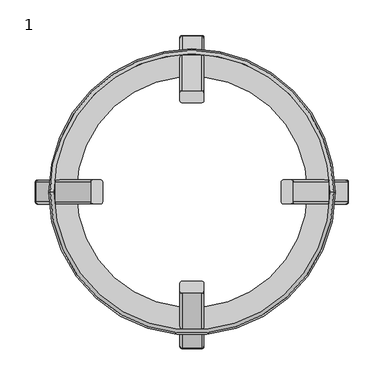
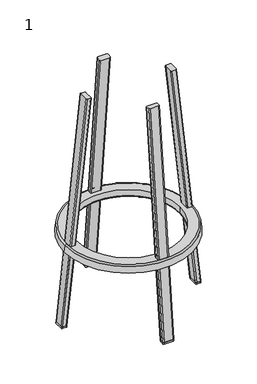
"""IFC4 building model written with IfcOpenShell, lengths in millimetres: furniture geometry, 1."""

from ifc_helpers import new_model, si_unit, point, frame, origin, place, context, project, spatial, polyline, circle_curve, ellipse_curve, trimmed, source, transform, mapped, element, save
from ifc_brep_helpers import plane_surface, cylinder_surface, revolved_surface, advanced_brep


def furniture_1_73dcc5fb(model_context):
    return source(origin(), model_context, "Body", "AdvancedBrep", [
        advanced_brep(
        [(17.0, -206.3178808, 5.0), (14.0, -203.301356, 5.0), (-14.0, -203.301356, 5.0), (-17.0, -206.3178808, 5.0), (-17.0, -217.3784719, 5.0), (-14.0, -220.3949967, 5.0), (14.0, -220.3949967, 5.0), (17.0, -217.3784719, 5.0), (-17.0, -217.9039931, 0.0), (-14.0, -220.9205179, 0.0), (-17.0, -206.843402, 0.0), (-14.0, -203.8268771, 0.0), (14.0, -203.8268771, 0.0), (17.0, -206.843402, 0.0), (17.0, -217.9039931, 0.0), (14.0, -220.9205179, 0.0)],
        [
            (0, 1, ellipse_curve(frame((14.0, -206.3178808, 5.0), z_axis=(0.0, 0.0, 1.0), x_axis=(0.0, -1.0, 0.0)), 3.0165248, 3.0)),
            (1, 2),
            (2, 3, ellipse_curve(frame((-14.1882885, -206.1285552, 5.0), z_axis=(0.0, 0.0, 1.0), x_axis=(0.0, -1.0, 0.0)), 2.8335313, 2.8180089)),
            (3, 4),
            (4, 5, ellipse_curve(frame((-14.0, -217.3784719, 5.0), z_axis=(0.0, 0.0, 1.0), x_axis=(0.0, -1.0, 0.0)), 3.0165248, 3.0)),
            (5, 6),
            (6, 7, ellipse_curve(frame((14.0, -217.3784719, 5.0), z_axis=(0.0, 0.0, 1.0), x_axis=(0.0, -1.0, 0.0)), 3.0165248, 3.0)),
            (7, 0),
            (4, 8),
            (8, 9, ellipse_curve(frame((-14.0, -217.9039931, 0.0), z_axis=(0.0, 0.0, 1.0), x_axis=(0.0, -1.0, 0.0)), 3.0165248, 3.0)),
            (9, 5),
            (3, 10),
            (10, 8),
            (2, 11),
            (11, 10, ellipse_curve(frame((-14.1882885, -206.6540763, 0.0), z_axis=(0.0, 0.0, 1.0), x_axis=(0.0, -1.0, 0.0)), 2.8335313, 2.8180089)),
            (1, 12),
            (12, 11),
            (12, 13, ellipse_curve(frame((14.0, -206.843402, 0.0), z_axis=(0.0, 0.0, -1.0), x_axis=(0.0, -1.0, 0.0)), 3.0165248, 3.0)),
            (13, 14),
            (14, 15, ellipse_curve(frame((14.0, -217.9039931, 0.0), z_axis=(0.0, 0.0, -1.0), x_axis=(0.0, -1.0, 0.0)), 3.0165248, 3.0)),
            (15, 9),
            (0, 13),
            (7, 14),
            (6, 15),
        ],
        [
            plane_surface(frame((-237.3802631, -240.5411086, 5.0), z_axis=(0.0, 0.0, 1.0), x_axis=(0.0, 1.0, 0.0))),
            cylinder_surface(frame((-14.0, -217.9369522, -0.3135854), z_axis=(0.0, -0.10452846326766246, -0.9945218953682724), x_axis=(0.0, -0.9945218953682725, 0.10452846326766249)), 3.0),
            plane_surface(frame((-17.0, -217.9369522, -0.3135854), z_axis=(-1.0, 0.0, 0.0), x_axis=(0.0, 0.9945218953682724, -0.10452846326766255))),
            cylinder_surface(frame((-14.1882885, -206.8099543, -1.48308), z_axis=(0.0, -0.10452846326766246, -0.9945218953682724), x_axis=(-0.9977653042872745, -0.06645012160662113, 0.006984189214775724)), 2.8180089),
            plane_surface(frame((-14.0, -204.0136457, -1.7769839), z_axis=(0.0, 0.9945218953682724, -0.10452846326766246), x_axis=(1.0, 0.0, 0.0))),
            plane_surface(frame((18.6818902, -196.7185949, 0.0), z_axis=(0.0, 0.0, -1.0), x_axis=(0.0, -1.0, 0.0))),
            cylinder_surface(frame((14.0, -206.9972114, -1.4633985), z_axis=(0.0, -0.10452846326766246, -0.9945218953682724), x_axis=(0.0, 0.9945218953682724, -0.10452846326766246)), 3.0),
            plane_surface(frame((17.0, -206.9972114, -1.4633985), z_axis=(1.0, 0.0, 0.0), x_axis=(0.0, -0.9945218953682724, 0.10452846326766246))),
            cylinder_surface(frame((14.0, -217.9369522, -0.3135854), z_axis=(0.0, -0.10452846326766246, -0.9945218953682724), x_axis=(1.0, 0.0, 0.0)), 3.0),
            plane_surface(frame((14.0, -220.9205179, 0.0), z_axis=(0.0, -0.9945218953682724, 0.10452846326766246), x_axis=(-1.0, 0.0, 0.0))),
        ],
        [
            (0, [[1, 2, 3, 4, 5, 6, 7, 8]]),
            (1, [[-5, 9, 10, 11]]),
            (2, [[-4, 12, 13, -9]]),
            (3, [[-3, 14, 15, -12]]),
            (4, [[-2, 16, 17, -14]]),
            (5, [[-10, -13, -15, -17, 18, 19, 20, 21]]),
            (6, [[-1, 22, -18, -16]]),
            (7, [[-8, 23, -19, -22]]),
            (8, [[-7, 24, -20, -23]]),
            (9, [[-6, -11, -21, -24]]),
        ],
    ),
        advanced_brep(
        [(-17.0, 217.9039931, 0.0), (-14.0, 220.9205179, 0.0), (14.0, 220.9205179, 0.0), (17.0, 217.9039931, 0.0), (17.0, 206.843402, 0.0), (14.0, 203.8268771, 0.0), (-14.0, 203.8268771, 0.0), (-17.0, 206.843402, 0.0), (-14.0, 203.301356, 5.0), (-17.0, 206.3178808, 5.0), (14.0, 203.301356, 5.0), (17.0, 206.3178808, 5.0), (17.0, 217.3784719, 5.0), (14.0, 220.3949967, 5.0), (-14.0, 220.3949967, 5.0), (-17.0, 217.3784719, 5.0)],
        [
            (0, 1, ellipse_curve(frame((-14.0, 217.9039931, 0.0), z_axis=(0.0, 0.0, -1.0), x_axis=(0.0, -1.0, 0.0)), 3.0165248, 3.0)),
            (1, 2),
            (2, 3, ellipse_curve(frame((14.0, 217.9039931, 0.0), z_axis=(0.0, 0.0, -1.0), x_axis=(0.0, -1.0, 0.0)), 3.0165248, 3.0)),
            (3, 4),
            (4, 5, ellipse_curve(frame((14.0, 206.843402, 0.0), z_axis=(0.0, 0.0, -1.0), x_axis=(0.0, -1.0, 0.0)), 3.0165248, 3.0)),
            (5, 6),
            (6, 7, ellipse_curve(frame((-14.1882885, 206.6540763, 0.0), z_axis=(0.0, 0.0, -1.0), x_axis=(0.0, -1.0, 0.0)), 2.8335313, 2.8180089)),
            (7, 0),
            (8, 9, ellipse_curve(frame((-14.1882885, 206.1285552, 5.0), z_axis=(0.0, 0.0, -1.0), x_axis=(0.0, -1.0, 0.0)), 2.8335313, 2.8180089)),
            (9, 7),
            (6, 8),
            (10, 8),
            (5, 10),
            (11, 10, ellipse_curve(frame((14.0, 206.3178808, 5.0), z_axis=(0.0, 0.0, -1.0), x_axis=(0.0, -1.0, 0.0)), 3.0165248, 3.0)),
            (4, 11),
            (12, 11),
            (3, 12),
            (13, 12, ellipse_curve(frame((14.0, 217.3784719, 5.0), z_axis=(0.0, 0.0, -1.0), x_axis=(0.0, -1.0, 0.0)), 3.0165248, 3.0)),
            (2, 13),
            (14, 13),
            (1, 14),
            (15, 14, ellipse_curve(frame((-14.0, 217.3784719, 5.0), z_axis=(0.0, 0.0, -1.0), x_axis=(0.0, -1.0, 0.0)), 3.0165248, 3.0)),
            (0, 15),
            (9, 15),
        ],
        [
            plane_surface(frame((18.6818902, 196.7185949, 0.0), z_axis=(0.0, 0.0, -1.0), x_axis=(0.0, 1.0, 0.0))),
            cylinder_surface(frame((-14.1882885, 206.8099543, -1.48308), z_axis=(0.0, -0.10452846326766246, 0.9945218953682724), x_axis=(-0.9977653042872745, 0.06645012160662113, 0.006984189214775724)), 2.8180089),
            plane_surface(frame((-14.0, 204.0136457, -1.7769839), z_axis=(0.0, -0.9945218953682724, -0.10452846326766246), x_axis=(1.0, 0.0, 0.0))),
            cylinder_surface(frame((14.0, 206.9972114, -1.4633985), z_axis=(0.0, -0.10452846326766246, 0.9945218953682724), x_axis=(0.0, -0.9945218953682724, -0.10452846326766246)), 3.0),
            plane_surface(frame((17.0, 206.9972114, -1.4633985), z_axis=(1.0, 0.0, 0.0), x_axis=(0.0, 0.9945218953682724, 0.10452846326766246))),
            cylinder_surface(frame((14.0, 217.9369522, -0.3135854), z_axis=(0.0, -0.10452846326766246, 0.9945218953682724), x_axis=(1.0, 0.0, 0.0)), 3.0),
            plane_surface(frame((14.0, 220.9205179, 0.0), z_axis=(0.0, 0.9945218953682724, 0.10452846326766246), x_axis=(-1.0, 0.0, 0.0))),
            cylinder_surface(frame((-14.0, 217.9369522, -0.3135854), z_axis=(0.0, -0.10452846326766246, 0.9945218953682724), x_axis=(0.0, 0.9945218953682725, 0.10452846326766249)), 3.0),
            plane_surface(frame((-17.0, 217.9369522, -0.3135854), z_axis=(-1.0, 0.0, 0.0), x_axis=(0.0, -0.9945218953682724, -0.10452846326766255))),
            plane_surface(frame((-237.3802631, -240.5411086, 5.0), z_axis=(0.0, 0.0, 1.0), x_axis=(0.0, 1.0, 0.0))),
        ],
        [
            (0, [[1, 2, 3, 4, 5, 6, 7, 8]]),
            (1, [[9, 10, -7, 11]]),
            (2, [[12, -11, -6, 13]]),
            (3, [[14, -13, -5, 15]]),
            (4, [[16, -15, -4, 17]]),
            (5, [[18, -17, -3, 19]]),
            (6, [[20, -19, -2, 21]]),
            (7, [[22, -21, -1, 23]]),
            (8, [[24, -23, -8, -10]]),
            (9, [[-16, -18, -20, -22, -24, -9, -12, -14]]),
        ],
    ),
        advanced_brep(
        [(220.3949967, 14.0, 5.0), (217.3784719, 17.0, 5.0), (206.3178808, 17.0, 5.0), (203.301356, 14.0, 5.0), (203.301356, -14.0, 5.0), (206.3178808, -17.0, 5.0), (217.3784719, -17.0, 5.0), (220.3949967, -14.0, 5.0), (203.8268771, -14.0, 0.0), (206.843402, -17.0, 0.0), (203.8268771, 14.0, 0.0), (206.843402, 17.0, 0.0), (217.9039931, 17.0, 0.0), (220.9205179, 14.0, 0.0), (220.9205179, -14.0, 0.0), (217.9039931, -17.0, 0.0)],
        [
            (0, 1, ellipse_curve(frame((217.3784719, 14.0, 5.0), z_axis=(0.0, 0.0, 1.0), x_axis=(-1.0, 0.0, 0.0)), 3.0165248, 3.0)),
            (1, 2),
            (2, 3, ellipse_curve(frame((206.1285552, 14.1882885, 5.0), z_axis=(0.0, 0.0, 1.0), x_axis=(-1.0, 0.0, 0.0)), 2.8335313, 2.8180089)),
            (3, 4),
            (4, 5, ellipse_curve(frame((206.3178808, -14.0, 5.0), z_axis=(0.0, 0.0, 1.0), x_axis=(-1.0, 0.0, 0.0)), 3.0165248, 3.0)),
            (5, 6),
            (6, 7, ellipse_curve(frame((217.3784719, -14.0, 5.0), z_axis=(0.0, 0.0, 1.0), x_axis=(-1.0, 0.0, 0.0)), 3.0165248, 3.0)),
            (7, 0),
            (4, 8),
            (8, 9, ellipse_curve(frame((206.843402, -14.0, 0.0), z_axis=(0.0, 0.0, 1.0), x_axis=(-1.0, 0.0, 0.0)), 3.0165248, 3.0)),
            (9, 5),
            (3, 10),
            (10, 8),
            (2, 11),
            (11, 10, ellipse_curve(frame((206.6540763, 14.1882885, 0.0), z_axis=(0.0, 0.0, 1.0), x_axis=(-1.0, 0.0, 0.0)), 2.8335313, 2.8180089)),
            (1, 12),
            (12, 11),
            (12, 13, ellipse_curve(frame((217.9039931, 14.0, 0.0), z_axis=(0.0, 0.0, -1.0), x_axis=(-1.0, 0.0, 0.0)), 3.0165248, 3.0)),
            (13, 14),
            (14, 15, ellipse_curve(frame((217.9039931, -14.0, 0.0), z_axis=(0.0, 0.0, -1.0), x_axis=(-1.0, 0.0, 0.0)), 3.0165248, 3.0)),
            (15, 9),
            (0, 13),
            (7, 14),
            (6, 15),
        ],
        [
            plane_surface(frame((-237.3802631, -240.5411086, 5.0), z_axis=(0.0, 0.0, 1.0), x_axis=(0.0, 1.0, 0.0))),
            cylinder_surface(frame((206.9972114, -14.0, -1.4633985), z_axis=(-0.10452846326766246, 0.0, 0.9945218953682724), x_axis=(-0.9945218953682724, 0.0, -0.10452846326766246)), 3.0),
            plane_surface(frame((204.0136457, 14.0, -1.7769839), z_axis=(-0.9945218953682724, 0.0, -0.10452846326766246), x_axis=(0.0, -1.0, 0.0))),
            cylinder_surface(frame((206.8099543, 14.1882885, -1.48308), z_axis=(-0.10452846326766246, 0.0, 0.9945218953682724), x_axis=(0.06645012160662157, 0.9977653042872745, 0.006984189214775724)), 2.8180089),
            plane_surface(frame((217.9369522, 17.0, -0.3135854), z_axis=(0.0, 1.0, 0.0), x_axis=(-0.9945218953682724, 0.0, -0.10452846326766255))),
            plane_surface(frame((196.7185949, -18.6818902, 0.0), z_axis=(0.0, 0.0, -1.0), x_axis=(1.0, 0.0, 0.0))),
            cylinder_surface(frame((217.9369522, 14.0, -0.3135854), z_axis=(-0.10452846326766246, 0.0, 0.9945218953682724), x_axis=(0.9945218953682725, 0.0, 0.10452846326766249)), 3.0),
            plane_surface(frame((220.9205179, -14.0, 0.0), z_axis=(0.9945218953682724, 0.0, 0.10452846326766246), x_axis=(0.0, 1.0, 0.0))),
            cylinder_surface(frame((217.9369522, -14.0, -0.3135854), z_axis=(-0.10452846326766246, 0.0, 0.9945218953682724), x_axis=(0.0, -1.0, 0.0)), 3.0),
            plane_surface(frame((206.9972114, -17.0, -1.4633985), z_axis=(0.0, -1.0, 0.0), x_axis=(0.9945218953682724, 0.0, 0.10452846326766246))),
        ],
        [
            (0, [[1, 2, 3, 4, 5, 6, 7, 8]]),
            (1, [[-5, 9, 10, 11]]),
            (2, [[-4, 12, 13, -9]]),
            (3, [[-3, 14, 15, -12]]),
            (4, [[-2, 16, 17, -14]]),
            (5, [[18, 19, 20, 21, -10, -13, -15, -17]]),
            (6, [[-1, 22, -18, -16]]),
            (7, [[-8, 23, -19, -22]]),
            (8, [[-7, 24, -20, -23]]),
            (9, [[-6, -11, -21, -24]]),
        ],
    ),
        advanced_brep(
        [(-220.3949967, -14.0, 5.0), (-220.3949967, 14.0, 5.0), (-220.9205179, 14.0, 0.0), (-220.9205179, -14.0, 0.0), (-217.3784719, -17.0, 5.0), (-217.9039931, -17.0, 0.0), (-206.3178808, -17.0, 5.0), (-206.843402, -17.0, 0.0), (-203.301356, -14.0, 5.0), (-203.8268771, -14.0, 0.0), (-217.9039931, 17.0, 0.0), (-206.843402, 17.0, 0.0), (-203.8268771, 14.0, 0.0), (-203.301356, 14.0, 5.0), (-206.3178808, 17.0, 5.0), (-217.3784719, 17.0, 5.0)],
        [
            (0, 1),
            (1, 2),
            (2, 3),
            (3, 0),
            (4, 0, ellipse_curve(frame((-217.3784719, -14.0, 5.0), z_axis=(0.0, 0.0, -1.0), x_axis=(-1.0, 0.0, 0.0)), 3.0165248, 3.0)),
            (3, 5, ellipse_curve(frame((-217.9039931, -14.0, 0.0), z_axis=(0.0, 0.0, 1.0), x_axis=(-1.0, 0.0, 0.0)), 3.0165248, 3.0)),
            (5, 4),
            (6, 4),
            (5, 7),
            (7, 6),
            (8, 6, ellipse_curve(frame((-206.3178808, -14.0, 5.0), z_axis=(0.0, 0.0, -1.0), x_axis=(-1.0, 0.0, 0.0)), 3.0165248, 3.0)),
            (7, 9, ellipse_curve(frame((-206.843402, -14.0, 0.0), z_axis=(0.0, 0.0, 1.0), x_axis=(-1.0, 0.0, 0.0)), 3.0165248, 3.0)),
            (9, 8),
            (2, 10, ellipse_curve(frame((-217.9039931, 14.0, 0.0), z_axis=(0.0, 0.0, -1.0), x_axis=(-1.0, 0.0, 0.0)), 3.0165248, 3.0)),
            (10, 11),
            (11, 12, ellipse_curve(frame((-206.6540763, 14.1882885, 0.0), z_axis=(0.0, 0.0, -1.0), x_axis=(-1.0, 0.0, 0.0)), 2.8335313, 2.8180089)),
            (12, 9),
            (13, 8),
            (12, 13),
            (14, 13, ellipse_curve(frame((-206.1285552, 14.1882885, 5.0), z_axis=(0.0, 0.0, -1.0), x_axis=(-1.0, 0.0, 0.0)), 2.8335313, 2.8180089)),
            (11, 14),
            (15, 14),
            (10, 15),
            (1, 15, ellipse_curve(frame((-217.3784719, 14.0, 5.0), z_axis=(0.0, 0.0, -1.0), x_axis=(-1.0, 0.0, 0.0)), 3.0165248, 3.0)),
        ],
        [
            plane_surface(frame((-220.9205179, -14.0, 0.0), z_axis=(-0.9945218953682724, 0.0, 0.10452846326766246), x_axis=(0.0, 1.0, 0.0))),
            cylinder_surface(frame((-217.9369522, -14.0, -0.3135854), z_axis=(-0.10452846326766246, 0.0, -0.9945218953682724), x_axis=(0.0, -1.0, 0.0)), 3.0),
            plane_surface(frame((-206.9972114, -17.0, -1.4633985), z_axis=(0.0, -1.0, 0.0), x_axis=(-0.9945218953682724, 0.0, 0.10452846326766246))),
            cylinder_surface(frame((-206.9972114, -14.0, -1.4633985), z_axis=(-0.10452846326766246, 0.0, -0.9945218953682724), x_axis=(0.9945218953682724, 0.0, -0.10452846326766246)), 3.0),
            plane_surface(frame((-196.7185949, -18.6818902, 0.0), z_axis=(0.0, 0.0, -1.0), x_axis=(-1.0, 0.0, 0.0))),
            plane_surface(frame((-204.0136457, 14.0, -1.7769839), z_axis=(0.9945218953682724, 0.0, -0.10452846326766246), x_axis=(0.0, -1.0, 0.0))),
            cylinder_surface(frame((-206.8099543, 14.1882885, -1.48308), z_axis=(-0.10452846326766246, 0.0, -0.9945218953682724), x_axis=(-0.06645012160662069, 0.9977653042872746, 0.006984189214775725)), 2.8180089),
            plane_surface(frame((-217.9369522, 17.0, -0.3135854), z_axis=(0.0, 1.0, 0.0), x_axis=(0.9945218953682724, 0.0, -0.10452846326766255))),
            cylinder_surface(frame((-217.9369522, 14.0, -0.3135854), z_axis=(-0.10452846326766246, 0.0, -0.9945218953682724), x_axis=(-0.9945218953682725, 0.0, 0.10452846326766249)), 3.0),
            plane_surface(frame((-237.3802631, -240.5411086, 5.0), z_axis=(0.0, 0.0, 1.0), x_axis=(0.0, 1.0, 0.0))),
        ],
        [
            (0, [[1, 2, 3, 4]]),
            (1, [[5, -4, 6, 7]]),
            (2, [[8, -7, 9, 10]]),
            (3, [[11, -10, 12, 13]]),
            (4, [[14, 15, 16, 17, -12, -9, -6, -3]]),
            (5, [[18, -13, -17, 19]]),
            (6, [[20, -19, -16, 21]]),
            (7, [[22, -21, -15, 23]]),
            (8, [[24, -23, -14, -2]]),
            (9, [[-11, -18, -20, -22, -24, -1, -5, -8]]),
        ],
    ),
        advanced_brep(
        [(202.077074, 0.0, 239.5), (199.9726095, 0.0, 259.5226423), (-199.9726095, 0.0, 259.5226423), (-202.077074, 0.0, 239.5), (163.0007615, 0.0, 244.412738), (168.0, 0.0, 239.5), (-168.0, 0.0, 239.5), (-163.0007615, 0.0, 244.412738), (162.7461399, 0.0, 264.0), (-162.7461399, 0.0, 264.0), (195.0, 0.0, 264.0), (-195.0, 0.0, 264.0)],
        [
            (0, 1),
            (1, 2, circle_curve(frame((0.0, 0.0, 259.5226423), z_axis=(0.0, 0.0, -1.0), x_axis=(1.0, 0.0, 0.0)), 199.9726095)),
            (2, 3),
            (3, 0, circle_curve(frame((0.0, 0.0, 239.5), z_axis=(0.0, 0.0, 1.0), x_axis=(1.0, 0.0, 0.0)), 202.077074)),
            (4, 5, circle_curve(frame((167.977827, 0.0, 244.4774366), z_axis=(0.0, -1.0, 0.0), x_axis=(1.0, 0.0, 0.0)), 4.977486)),
            (5, 6, circle_curve(frame((0.0, 0.0, 239.5), z_axis=(0.0, 0.0, -1.0), x_axis=(1.0, 0.0, 0.0)), 168.0)),
            (6, 7, circle_curve(frame((-167.977827, 0.0, 244.4774366), z_axis=(0.0, -1.0, 0.0), x_axis=(-1.0, 0.0, 0.0)), 4.977486)),
            (7, 4, circle_curve(frame((0.0, 0.0, 244.412738), z_axis=(0.0, 0.0, 1.0), x_axis=(1.0, 0.0, 0.0)), 163.0007615)),
            (4, 8),
            (8, 9, circle_curve(frame((0.0, 0.0, 264.0), z_axis=(0.0, 0.0, 1.0), x_axis=(1.0, 0.0, 0.0)), 162.7461399)),
            (9, 7),
            (7, 4, circle_curve(frame((0.0, 0.0, 244.412738), z_axis=(0.0, 0.0, -1.0), x_axis=(1.0, 0.0, 0.0)), 163.0007615)),
            (1, 10, circle_curve(frame((195.0, 0.0, 259.0), z_axis=(0.0, -0.9999999999999999, 0.0), x_axis=(0.9999999999999999, 0.0, 0.0)), 5.0)),
            (10, 11, circle_curve(frame((0.0, 0.0, 264.0), z_axis=(0.0, 0.0, -1.0), x_axis=(0.9999999999999999, 0.0, 0.0)), 195.0)),
            (11, 2, circle_curve(frame((-195.0, 0.0, 259.0), z_axis=(0.0, -0.9999999999999999, 0.0), x_axis=(-0.9999999999999999, 0.0, 0.0)), 5.0)),
            (1, 2, circle_curve(frame((0.0, 0.0, 259.5226423), z_axis=(0.0, 0.0, 1.0), x_axis=(0.9999999999999999, 0.0, 0.0)), 199.9726095)),
            (11, 10, circle_curve(frame((0.0, 0.0, 264.0), z_axis=(0.0, 0.0, -1.0), x_axis=(0.9999999999999999, 0.0, 0.0)), 195.0)),
            (8, 9, circle_curve(frame((0.0, 0.0, 264.0), z_axis=(0.0, 0.0, -1.0), x_axis=(1.0, 0.0, 0.0)), 162.7461399)),
            (6, 5, circle_curve(frame((0.0, 0.0, 239.5), z_axis=(0.0, 0.0, -1.0), x_axis=(1.0, 0.0, 0.0)), 168.0)),
            (3, 0, circle_curve(frame((0.0, 0.0, 239.5), z_axis=(0.0, 0.0, -1.0), x_axis=(1.0, 0.0, 0.0)), 202.077074)),
        ],
        [
            revolved_surface(polyline([(199.9726094928645, 0.0, 259.5226422999999), (202.077074, 0.0, 239.5)]), (0.0, 0.0, 2162.1349297), (0.0, 0.0, -1.0)),
            revolved_surface(trimmed(ellipse_curve(frame((167.977827, 0.0, 244.4774366), z_axis=(0.0, -1.0, 0.0), x_axis=(1.0, 0.0, 0.0)), 4.977486, 4.977486), [point((163.0007615, 0.0, 244.412738))], [point((168.0, 0.0, 239.5))], True, "CARTESIAN"), (0.0, 0.0, 244.4774366), (0.0, 0.0, 1.0)),
            revolved_surface(polyline([(163.0007615, 0.0, 244.41273799999908), (162.7461398945695, 0.0, 264.0)]), (0.0, 0.0, 12783.5632013), (0.0, 0.0, -1.0)),
            revolved_surface(trimmed(ellipse_curve(frame((195.0, 0.0, 259.0), z_axis=(0.0, -0.9999999999999999, 0.0), x_axis=(0.9999999999999999, 0.0, 0.0)), 5.0, 5.0), [point((199.9726095, 0.0, 259.5226423))], [point((195.0, 0.0, 264.0))], True, "CARTESIAN"), (0.0, 0.0, 259.0), (0.0, 0.0, 1.0)),
            plane_surface(frame((162.7461399, 0.0, 264.0), z_axis=(0.0, 0.0, 1.0), x_axis=(1.0, 0.0, 0.0))),
            plane_surface(frame((202.077074, 0.0, 239.5), z_axis=(0.0, 0.0, -1.0), x_axis=(-1.0, 0.0, 0.0))),
        ],
        [
            (0, [[1, 2, 3, 4]]),
            (1, [[5, 6, 7, 8]]),
            (2, [[9, 10, 11, 12]]),
            (3, [[13, 14, 15, -2]]),
            (3, [[-13, 16, -15, 17]]),
            (4, [[-17, -14], [-10, 18]]),
            (2, [[-9, -8, -11, -18]]),
            (1, [[-5, -12, -7, 19]]),
            (5, [[20, -4], [-19, -6]]),
            (0, [[-1, -20, -3, -16]]),
        ],
    ),
        advanced_brep(
        [(-17.0, 190.1564749, 264.0), (-14.0, 193.1729998, 264.0), (14.0, 193.1729998, 264.0), (17.0, 190.1564749, 264.0), (17.0, 179.0958839, 264.0), (14.0, 176.079359, 264.0), (-14.0, 176.079359, 264.0), (-17.0, 179.0958839, 264.0), (17.0, 140.1339623, 739.9324165), (17.0, 129.1942214, 738.7826034), (14.0, 126.2106557, 738.469018), (14.0, 143.117528, 740.2460019), (-14.0, 143.117528, 740.2460019), (-17.0, 140.1339623, 739.9324165), (-14.0, 126.2106557, 738.469018), (-17.0, 129.1942214, 738.7826034)],
        [
            (0, 1, ellipse_curve(frame((-14.0, 190.1564749, 264.0), z_axis=(0.0, 0.0, -1.0), x_axis=(0.0, -1.0, 0.0)), 3.0165248, 3.0)),
            (1, 2),
            (2, 3, ellipse_curve(frame((14.0, 190.1564749, 264.0), z_axis=(0.0, 0.0, -1.0), x_axis=(0.0, -1.0, 0.0)), 3.0165248, 3.0)),
            (3, 4),
            (4, 5, ellipse_curve(frame((14.0, 179.0958839, 264.0), z_axis=(0.0, 0.0, -1.0), x_axis=(0.0, -1.0, 0.0)), 3.0165248, 3.0)),
            (5, 6),
            (6, 7, ellipse_curve(frame((-14.1882885, 178.9065582, 264.0), z_axis=(0.0, 0.0, -1.0), x_axis=(0.0, -1.0, 0.0)), 2.8335313, 2.8180089)),
            (7, 0),
            (3, 8),
            (8, 9),
            (9, 4),
            (9, 10, circle_curve(frame((14.0, 129.1942214, 738.7826034), z_axis=(0.0, 0.10452846326766246, -0.9945218953682724), x_axis=(0.0, -0.9945218953682724, -0.10452846326766246)), 3.0)),
            (10, 5),
            (2, 11),
            (11, 8, circle_curve(frame((14.0, 140.1339623, 739.9324165), z_axis=(0.0, 0.10452846326766246, -0.9945218953682724), x_axis=(1.0, 0.0, 0.0)), 3.0)),
            (1, 12),
            (12, 11),
            (0, 13),
            (13, 12, circle_curve(frame((-14.0, 140.1339623, 739.9324165), z_axis=(0.0, 0.10452846326766246, -0.9945218953682724), x_axis=(0.0, 0.9945218953682725, 0.10452846326766249)), 3.0)),
            (10, 14),
            (14, 6),
            (14, 15, circle_curve(frame((-14.1882885, 129.0069644, 738.7629219), z_axis=(0.0, 0.10452846326766246, -0.9945218953682724), x_axis=(-0.9977653042872745, 0.06645012160662113, 0.006984189214775724)), 2.8180089)),
            (15, 7),
            (15, 13),
        ],
        [
            plane_surface(frame((162.7461399, 0.0, 264.0), z_axis=(0.0, 0.0, -1.0), x_axis=(1.0, 0.0, 0.0))),
            plane_surface(frame((17.0, 206.9972114, -1.4633985), z_axis=(1.0, 0.0, 0.0), x_axis=(0.0, 0.9945218953682724, 0.10452846326766246))),
            cylinder_surface(frame((14.0, 206.9972114, -1.4633985), z_axis=(0.0, -0.10452846326766246, 0.9945218953682724), x_axis=(0.0, -0.9945218953682724, -0.10452846326766246)), 3.0),
            cylinder_surface(frame((14.0, 217.9369522, -0.3135854), z_axis=(0.0, -0.10452846326766246, 0.9945218953682724), x_axis=(1.0, 0.0, 0.0)), 3.0),
            plane_surface(frame((14.0, 220.9205179, 0.0), z_axis=(0.0, 0.9945218953682724, 0.10452846326766246), x_axis=(-1.0, 0.0, 0.0))),
            cylinder_surface(frame((-14.0, 217.9369522, -0.3135854), z_axis=(0.0, -0.10452846326766246, 0.9945218953682724), x_axis=(0.0, 0.9945218953682725, 0.10452846326766249)), 3.0),
            plane_surface(frame((-14.0, 204.0136457, -1.7769839), z_axis=(0.0, -0.9945218953682724, -0.10452846326766246), x_axis=(1.0, 0.0, 0.0))),
            cylinder_surface(frame((-14.1882885, 206.8099543, -1.48308), z_axis=(0.0, -0.10452846326766246, 0.9945218953682724), x_axis=(-0.9977653042872745, 0.06645012160662113, 0.006984189214775724)), 2.8180089),
            plane_surface(frame((-17.0, 217.9369522, -0.3135854), z_axis=(-1.0, 0.0, 0.0), x_axis=(0.0, -0.9945218953682724, -0.10452846326766255))),
            plane_surface(frame((-0.0132768, 134.657144, 739.3567797), z_axis=(0.0, -0.1045284632676626, 0.9945218953682724), x_axis=(1.0, 0.0, 0.0))),
        ],
        [
            (0, [[1, 2, 3, 4, 5, 6, 7, 8]]),
            (1, [[-4, 9, 10, 11]]),
            (2, [[-5, -11, 12, 13]]),
            (3, [[-3, 14, 15, -9]]),
            (4, [[-2, 16, 17, -14]]),
            (5, [[-1, 18, 19, -16]]),
            (6, [[-6, -13, 20, 21]]),
            (7, [[-7, -21, 22, 23]]),
            (8, [[-8, -23, 24, -18]]),
            (9, [[-24, -22, -20, -12, -10, -15, -17, -19]]),
        ],
    ),
        advanced_brep(
        [(14.0, -203.301356, 5.0), (17.0, -206.3178808, 5.0), (17.0, -217.3784719, 5.0), (14.0, -220.3949967, 5.0), (-14.0, -220.3949967, 5.0), (-17.0, -217.3784719, 5.0), (-17.0, -206.3178808, 5.0), (-14.0, -203.301356, 5.0), (-14.0, -195.7480535, 239.5), (-17.0, -192.7315287, 239.5), (14.0, -195.7480535, 239.5), (17.0, -192.7315287, 239.5), (17.0, -181.6709376, 239.5), (14.0, -178.6544128, 239.5), (-14.0, -178.6544128, 239.5), (-17.0, -181.6709376, 239.5)],
        [
            (0, 1, ellipse_curve(frame((14.0, -206.3178808, 5.0), z_axis=(0.0, 0.0, -1.0), x_axis=(0.0, -1.0, 0.0)), 3.0165248, 3.0)),
            (1, 2),
            (2, 3, ellipse_curve(frame((14.0, -217.3784719, 5.0), z_axis=(0.0, 0.0, -1.0), x_axis=(0.0, -1.0, 0.0)), 3.0165248, 3.0)),
            (3, 4),
            (4, 5, ellipse_curve(frame((-14.0, -217.3784719, 5.0), z_axis=(0.0, 0.0, -1.0), x_axis=(0.0, -1.0, 0.0)), 3.0165248, 3.0)),
            (5, 6),
            (6, 7, ellipse_curve(frame((-14.1882885, -206.1285552, 5.0), z_axis=(0.0, 0.0, -1.0), x_axis=(0.0, -1.0, 0.0)), 2.8335313, 2.8180089)),
            (7, 0),
            (4, 8),
            (8, 9, ellipse_curve(frame((-14.0, -192.7315287, 239.5), z_axis=(0.0, 0.0, -1.0), x_axis=(0.0, -1.0, 0.0)), 3.0165248, 3.0)),
            (9, 5),
            (3, 10),
            (10, 8),
            (2, 11),
            (11, 10, ellipse_curve(frame((14.0, -192.7315287, 239.5), z_axis=(0.0, 0.0, -1.0), x_axis=(0.0, -1.0, 0.0)), 3.0165248, 3.0)),
            (1, 12),
            (12, 11),
            (0, 13),
            (13, 12, ellipse_curve(frame((14.0, -181.6709376, 239.5), z_axis=(0.0, 0.0, -1.0), x_axis=(0.0, -1.0, 0.0)), 3.0165248, 3.0)),
            (7, 14),
            (14, 13),
            (6, 15),
            (15, 14, ellipse_curve(frame((-14.1882885, -181.481612, 239.5), z_axis=(0.0, 0.0, -1.0), x_axis=(0.0, -1.0, 0.0)), 2.8335313, 2.8180089)),
            (9, 15),
        ],
        [
            plane_surface(frame((-237.3802631, 229.2159967, 5.0), z_axis=(0.0, 0.0, -1.0), x_axis=(0.0, -1.0, 0.0))),
            cylinder_surface(frame((-14.0, -217.9369522, -0.3135854), z_axis=(0.0, -0.10452846326766246, -0.9945218953682724), x_axis=(0.0, -0.9945218953682725, 0.10452846326766249)), 3.0),
            plane_surface(frame((14.0, -220.9205179, 0.0), z_axis=(0.0, -0.9945218953682724, 0.10452846326766246), x_axis=(-1.0, 0.0, 0.0))),
            cylinder_surface(frame((14.0, -217.9369522, -0.3135854), z_axis=(0.0, -0.10452846326766246, -0.9945218953682724), x_axis=(1.0, 0.0, 0.0)), 3.0),
            plane_surface(frame((17.0, -206.9972114, -1.4633985), z_axis=(1.0, 0.0, 0.0), x_axis=(0.0, -0.9945218953682724, 0.10452846326766246))),
            cylinder_surface(frame((14.0, -206.9972114, -1.4633985), z_axis=(0.0, -0.10452846326766246, -0.9945218953682724), x_axis=(0.0, 0.9945218953682724, -0.10452846326766246)), 3.0),
            plane_surface(frame((-14.0, -204.0136457, -1.7769839), z_axis=(0.0, 0.9945218953682724, -0.10452846326766246), x_axis=(1.0, 0.0, 0.0))),
            cylinder_surface(frame((-14.1882885, -206.8099543, -1.48308), z_axis=(0.0, -0.10452846326766246, -0.9945218953682724), x_axis=(-0.9977653042872745, -0.06645012160662113, 0.006984189214775724)), 2.8180089),
            plane_surface(frame((-17.0, -217.9369522, -0.3135854), z_axis=(-1.0, 0.0, 0.0), x_axis=(0.0, 0.9945218953682724, -0.10452846326766255))),
            plane_surface(frame((202.077074, 0.0, 239.5), z_axis=(0.0, 0.0, 1.0), x_axis=(-1.0, 0.0, 0.0))),
        ],
        [
            (0, [[1, 2, 3, 4, 5, 6, 7, 8]]),
            (1, [[-5, 9, 10, 11]]),
            (2, [[-4, 12, 13, -9]]),
            (3, [[-3, 14, 15, -12]]),
            (4, [[-2, 16, 17, -14]]),
            (5, [[-1, 18, 19, -16]]),
            (6, [[-8, 20, 21, -18]]),
            (7, [[-7, 22, 23, -20]]),
            (8, [[-6, -11, 24, -22]]),
            (9, [[-19, -21, -23, -24, -10, -13, -15, -17]]),
        ],
    ),
        advanced_brep(
        [(-14.0, 220.3949967, 5.0), (-17.0, 217.3784719, 5.0), (-17.0, 192.7315287, 239.5), (-14.0, 195.7480535, 239.5), (14.0, 220.3949967, 5.0), (14.0, 195.7480535, 239.5), (17.0, 217.3784719, 5.0), (17.0, 192.7315287, 239.5), (17.0, 206.3178808, 5.0), (17.0, 181.6709376, 239.5), (-17.0, 181.6709376, 239.5), (-14.0, 178.6544128, 239.5), (14.0, 178.6544128, 239.5), (14.0, 203.301356, 5.0), (-14.0, 203.301356, 5.0), (-17.0, 206.3178808, 5.0)],
        [
            (0, 1, ellipse_curve(frame((-14.0, 217.3784719, 5.0), z_axis=(0.0, 0.0, 1.0), x_axis=(0.0, -1.0, 0.0)), 3.0165248, 3.0)),
            (1, 2),
            (2, 3, ellipse_curve(frame((-14.0, 192.7315287, 239.5), z_axis=(0.0, 0.0, -1.0), x_axis=(0.0, -1.0, 0.0)), 3.0165248, 3.0)),
            (3, 0),
            (4, 0),
            (3, 5),
            (5, 4),
            (6, 4, ellipse_curve(frame((14.0, 217.3784719, 5.0), z_axis=(0.0, 0.0, 1.0), x_axis=(0.0, -1.0, 0.0)), 3.0165248, 3.0)),
            (5, 7, ellipse_curve(frame((14.0, 192.7315287, 239.5), z_axis=(0.0, 0.0, -1.0), x_axis=(0.0, -1.0, 0.0)), 3.0165248, 3.0)),
            (7, 6),
            (8, 6),
            (7, 9),
            (9, 8),
            (2, 10),
            (10, 11, ellipse_curve(frame((-14.1882885, 181.481612, 239.5), z_axis=(0.0, 0.0, 1.0), x_axis=(0.0, -1.0, 0.0)), 2.8335313, 2.8180089)),
            (11, 12),
            (12, 9, ellipse_curve(frame((14.0, 181.6709376, 239.5), z_axis=(0.0, 0.0, 1.0), x_axis=(0.0, -1.0, 0.0)), 3.0165248, 3.0)),
            (13, 8, ellipse_curve(frame((14.0, 206.3178808, 5.0), z_axis=(0.0, 0.0, 1.0), x_axis=(0.0, -1.0, 0.0)), 3.0165248, 3.0)),
            (12, 13),
            (14, 13),
            (11, 14),
            (15, 14, ellipse_curve(frame((-14.1882885, 206.1285552, 5.0), z_axis=(0.0, 0.0, 1.0), x_axis=(0.0, -1.0, 0.0)), 2.8335313, 2.8180089)),
            (10, 15),
            (1, 15),
        ],
        [
            cylinder_surface(frame((-14.0, 217.9369522, -0.3135854), z_axis=(0.0, -0.10452846326766246, 0.9945218953682724), x_axis=(0.0, 0.9945218953682725, 0.10452846326766249)), 3.0),
            plane_surface(frame((14.0, 220.9205179, 0.0), z_axis=(0.0, 0.9945218953682724, 0.10452846326766246), x_axis=(-1.0, 0.0, 0.0))),
            cylinder_surface(frame((14.0, 217.9369522, -0.3135854), z_axis=(0.0, -0.10452846326766246, 0.9945218953682724), x_axis=(1.0, 0.0, 0.0)), 3.0),
            plane_surface(frame((17.0, 206.9972114, -1.4633985), z_axis=(1.0, 0.0, 0.0), x_axis=(0.0, 0.9945218953682724, 0.10452846326766246))),
            plane_surface(frame((202.077074, 0.0, 239.5), z_axis=(0.0, 0.0, 1.0), x_axis=(-1.0, 0.0, 0.0))),
            cylinder_surface(frame((14.0, 206.9972114, -1.4633985), z_axis=(0.0, -0.10452846326766246, 0.9945218953682724), x_axis=(0.0, -0.9945218953682724, -0.10452846326766246)), 3.0),
            plane_surface(frame((-14.0, 204.0136457, -1.7769839), z_axis=(0.0, -0.9945218953682724, -0.10452846326766246), x_axis=(1.0, 0.0, 0.0))),
            cylinder_surface(frame((-14.1882885, 206.8099543, -1.48308), z_axis=(0.0, -0.10452846326766246, 0.9945218953682724), x_axis=(-0.9977653042872745, 0.06645012160662113, 0.006984189214775724)), 2.8180089),
            plane_surface(frame((-17.0, 217.9369522, -0.3135854), z_axis=(-1.0, 0.0, 0.0), x_axis=(0.0, -0.9945218953682724, -0.10452846326766255))),
            plane_surface(frame((-237.3802631, 229.2159967, 5.0), z_axis=(0.0, 0.0, -1.0), x_axis=(0.0, -1.0, 0.0))),
        ],
        [
            (0, [[1, 2, 3, 4]]),
            (1, [[5, -4, 6, 7]]),
            (2, [[8, -7, 9, 10]]),
            (3, [[11, -10, 12, 13]]),
            (4, [[-3, 14, 15, 16, 17, -12, -9, -6]]),
            (5, [[18, -13, -17, 19]]),
            (6, [[20, -19, -16, 21]]),
            (7, [[22, -21, -15, 23]]),
            (8, [[24, -23, -14, -2]]),
            (9, [[-11, -18, -20, -22, -24, -1, -5, -8]]),
        ],
    ),
        advanced_brep(
        [(217.3784719, 17.0, 5.0), (220.3949967, 14.0, 5.0), (220.3949967, -14.0, 5.0), (217.3784719, -17.0, 5.0), (206.3178808, -17.0, 5.0), (203.301356, -14.0, 5.0), (203.301356, 14.0, 5.0), (206.3178808, 17.0, 5.0), (181.6709376, -17.0, 239.5), (178.6544128, -14.0, 239.5), (192.7315287, -17.0, 239.5), (195.7480535, -14.0, 239.5), (195.7480535, 14.0, 239.5), (192.7315287, 17.0, 239.5), (181.6709376, 17.0, 239.5), (178.6544128, 14.0, 239.5)],
        [
            (0, 1, ellipse_curve(frame((217.3784719, 14.0, 5.0), z_axis=(0.0, 0.0, -1.0), x_axis=(-1.0, 0.0, 0.0)), 3.0165248, 3.0)),
            (1, 2),
            (2, 3, ellipse_curve(frame((217.3784719, -14.0, 5.0), z_axis=(0.0, 0.0, -1.0), x_axis=(-1.0, 0.0, 0.0)), 3.0165248, 3.0)),
            (3, 4),
            (4, 5, ellipse_curve(frame((206.3178808, -14.0, 5.0), z_axis=(0.0, 0.0, -1.0), x_axis=(-1.0, 0.0, 0.0)), 3.0165248, 3.0)),
            (5, 6),
            (6, 7, ellipse_curve(frame((206.1285552, 14.1882885, 5.0), z_axis=(0.0, 0.0, -1.0), x_axis=(-1.0, 0.0, 0.0)), 2.8335313, 2.8180089)),
            (7, 0),
            (4, 8),
            (8, 9, ellipse_curve(frame((181.6709376, -14.0, 239.5), z_axis=(0.0, 0.0, -1.0), x_axis=(-1.0, 0.0, 0.0)), 3.0165248, 3.0)),
            (9, 5),
            (3, 10),
            (10, 8),
            (2, 11),
            (11, 10, ellipse_curve(frame((192.7315287, -14.0, 239.5), z_axis=(0.0, 0.0, -1.0), x_axis=(-1.0, 0.0, 0.0)), 3.0165248, 3.0)),
            (1, 12),
            (12, 11),
            (0, 13),
            (13, 12, ellipse_curve(frame((192.7315287, 14.0, 239.5), z_axis=(0.0, 0.0, -1.0), x_axis=(-1.0, 0.0, 0.0)), 3.0165248, 3.0)),
            (7, 14),
            (14, 13),
            (6, 15),
            (15, 14, ellipse_curve(frame((181.481612, 14.1882885, 239.5), z_axis=(0.0, 0.0, -1.0), x_axis=(-1.0, 0.0, 0.0)), 2.8335313, 2.8180089)),
            (9, 15),
        ],
        [
            plane_surface(frame((-237.3802631, 229.2159967, 5.0), z_axis=(0.0, 0.0, -1.0), x_axis=(0.0, -1.0, 0.0))),
            cylinder_surface(frame((206.9972114, -14.0, -1.4633985), z_axis=(-0.10452846326766246, 0.0, 0.9945218953682724), x_axis=(-0.9945218953682724, 0.0, -0.10452846326766246)), 3.0),
            plane_surface(frame((206.9972114, -17.0, -1.4633985), z_axis=(0.0, -1.0, 0.0), x_axis=(0.9945218953682724, 0.0, 0.10452846326766246))),
            cylinder_surface(frame((217.9369522, -14.0, -0.3135854), z_axis=(-0.10452846326766246, 0.0, 0.9945218953682724), x_axis=(0.0, -1.0, 0.0)), 3.0),
            plane_surface(frame((220.9205179, -14.0, 0.0), z_axis=(0.9945218953682724, 0.0, 0.10452846326766246), x_axis=(0.0, 1.0, 0.0))),
            cylinder_surface(frame((217.9369522, 14.0, -0.3135854), z_axis=(-0.10452846326766246, 0.0, 0.9945218953682724), x_axis=(0.9945218953682725, 0.0, 0.10452846326766249)), 3.0),
            plane_surface(frame((217.9369522, 17.0, -0.3135854), z_axis=(0.0, 1.0, 0.0), x_axis=(-0.9945218953682724, 0.0, -0.10452846326766255))),
            cylinder_surface(frame((206.8099543, 14.1882885, -1.48308), z_axis=(-0.10452846326766246, 0.0, 0.9945218953682724), x_axis=(0.06645012160662157, 0.9977653042872745, 0.006984189214775724)), 2.8180089),
            plane_surface(frame((204.0136457, 14.0, -1.7769839), z_axis=(-0.9945218953682724, 0.0, -0.10452846326766246), x_axis=(0.0, -1.0, 0.0))),
            plane_surface(frame((202.077074, 0.0, 239.5), z_axis=(0.0, 0.0, 1.0), x_axis=(-1.0, 0.0, 0.0))),
        ],
        [
            (0, [[1, 2, 3, 4, 5, 6, 7, 8]]),
            (1, [[-5, 9, 10, 11]]),
            (2, [[-4, 12, 13, -9]]),
            (3, [[-3, 14, 15, -12]]),
            (4, [[-2, 16, 17, -14]]),
            (5, [[-1, 18, 19, -16]]),
            (6, [[-8, 20, 21, -18]]),
            (7, [[-7, 22, 23, -20]]),
            (8, [[-6, -11, 24, -22]]),
            (9, [[-19, -21, -23, -24, -10, -13, -15, -17]]),
        ],
    ),
        advanced_brep(
        [(-181.6709376, -17.0, 239.5), (-178.6544128, -14.0, 239.5), (-178.6544128, 14.0, 239.5), (-181.6709376, 17.0, 239.5), (-192.7315287, 17.0, 239.5), (-195.7480535, 14.0, 239.5), (-195.7480535, -14.0, 239.5), (-192.7315287, -17.0, 239.5), (-206.3178808, 17.0, 5.0), (-217.3784719, 17.0, 5.0), (-203.301356, 14.0, 5.0), (-203.301356, -14.0, 5.0), (-206.3178808, -17.0, 5.0), (-217.3784719, -17.0, 5.0), (-220.3949967, -14.0, 5.0), (-220.3949967, 14.0, 5.0)],
        [
            (0, 1, ellipse_curve(frame((-181.6709376, -14.0, 239.5), z_axis=(0.0, 0.0, 1.0), x_axis=(-1.0, 0.0, 0.0)), 3.0165248, 3.0)),
            (1, 2),
            (2, 3, ellipse_curve(frame((-181.481612, 14.1882885, 239.5), z_axis=(0.0, 0.0, 1.0), x_axis=(-1.0, 0.0, 0.0)), 2.8335313, 2.8180089)),
            (3, 4),
            (4, 5, ellipse_curve(frame((-192.7315287, 14.0, 239.5), z_axis=(0.0, 0.0, 1.0), x_axis=(-1.0, 0.0, 0.0)), 3.0165248, 3.0)),
            (5, 6),
            (6, 7, ellipse_curve(frame((-192.7315287, -14.0, 239.5), z_axis=(0.0, 0.0, 1.0), x_axis=(-1.0, 0.0, 0.0)), 3.0165248, 3.0)),
            (7, 0),
            (8, 9),
            (9, 4),
            (3, 8),
            (10, 8, ellipse_curve(frame((-206.1285552, 14.1882885, 5.0), z_axis=(0.0, 0.0, 1.0), x_axis=(-1.0, 0.0, 0.0)), 2.8335313, 2.8180089)),
            (2, 10),
            (11, 10),
            (1, 11),
            (12, 11, ellipse_curve(frame((-206.3178808, -14.0, 5.0), z_axis=(0.0, 0.0, 1.0), x_axis=(-1.0, 0.0, 0.0)), 3.0165248, 3.0)),
            (0, 12),
            (13, 12),
            (7, 13),
            (14, 13, ellipse_curve(frame((-217.3784719, -14.0, 5.0), z_axis=(0.0, 0.0, 1.0), x_axis=(-1.0, 0.0, 0.0)), 3.0165248, 3.0)),
            (6, 14),
            (15, 14),
            (5, 15),
            (9, 15, ellipse_curve(frame((-217.3784719, 14.0, 5.0), z_axis=(0.0, 0.0, 1.0), x_axis=(-1.0, 0.0, 0.0)), 3.0165248, 3.0)),
        ],
        [
            plane_surface(frame((202.077074, 0.0, 239.5), z_axis=(0.0, 0.0, 1.0), x_axis=(-1.0, 0.0, 0.0))),
            plane_surface(frame((-217.9369522, 17.0, -0.3135854), z_axis=(0.0, 1.0, 0.0), x_axis=(0.9945218953682724, 0.0, -0.10452846326766255))),
            cylinder_surface(frame((-206.8099543, 14.1882885, -1.48308), z_axis=(-0.10452846326766246, 0.0, -0.9945218953682724), x_axis=(-0.06645012160662069, 0.9977653042872746, 0.006984189214775725)), 2.8180089),
            plane_surface(frame((-204.0136457, 14.0, -1.7769839), z_axis=(0.9945218953682724, 0.0, -0.10452846326766246), x_axis=(0.0, -1.0, 0.0))),
            cylinder_surface(frame((-206.9972114, -14.0, -1.4633985), z_axis=(-0.10452846326766246, 0.0, -0.9945218953682724), x_axis=(0.9945218953682724, 0.0, -0.10452846326766246)), 3.0),
            plane_surface(frame((-206.9972114, -17.0, -1.4633985), z_axis=(0.0, -1.0, 0.0), x_axis=(-0.9945218953682724, 0.0, 0.10452846326766246))),
            cylinder_surface(frame((-217.9369522, -14.0, -0.3135854), z_axis=(-0.10452846326766246, 0.0, -0.9945218953682724), x_axis=(0.0, -1.0, 0.0)), 3.0),
            plane_surface(frame((-220.9205179, -14.0, 0.0), z_axis=(-0.9945218953682724, 0.0, 0.10452846326766246), x_axis=(0.0, 1.0, 0.0))),
            cylinder_surface(frame((-217.9369522, 14.0, -0.3135854), z_axis=(-0.10452846326766246, 0.0, -0.9945218953682724), x_axis=(-0.9945218953682725, 0.0, 0.10452846326766249)), 3.0),
            plane_surface(frame((-237.3802631, 229.2159967, 5.0), z_axis=(0.0, 0.0, -1.0), x_axis=(0.0, -1.0, 0.0))),
        ],
        [
            (0, [[1, 2, 3, 4, 5, 6, 7, 8]]),
            (1, [[9, 10, -4, 11]]),
            (2, [[12, -11, -3, 13]]),
            (3, [[14, -13, -2, 15]]),
            (4, [[16, -15, -1, 17]]),
            (5, [[18, -17, -8, 19]]),
            (6, [[20, -19, -7, 21]]),
            (7, [[22, -21, -6, 23]]),
            (8, [[24, -23, -5, -10]]),
            (9, [[-16, -18, -20, -22, -24, -9, -12, -14]]),
        ],
    ),
        advanced_brep(
        [(190.1564749, 17.0, 264.0), (193.1729998, 14.0, 264.0), (193.1729998, -14.0, 264.0), (190.1564749, -17.0, 264.0), (179.0958839, -17.0, 264.0), (176.079359, -14.0, 264.0), (176.079359, 14.0, 264.0), (179.0958839, 17.0, 264.0), (140.1339623, -17.0, 739.9324165), (129.1942214, -17.0, 738.7826034), (126.2106557, -14.0, 738.469018), (143.1175279, -14.0, 740.2460019), (143.1175279, 14.0, 740.2460019), (140.1339623, 17.0, 739.9324165), (126.2106557, 14.0, 738.469018), (129.1942214, 17.0, 738.7826034)],
        [
            (0, 1, ellipse_curve(frame((190.1564749, 14.0, 264.0), z_axis=(0.0, 0.0, -1.0), x_axis=(-1.0, 0.0, 0.0)), 3.0165248, 3.0)),
            (1, 2),
            (2, 3, ellipse_curve(frame((190.1564749, -14.0, 264.0), z_axis=(0.0, 0.0, -1.0), x_axis=(-1.0, 0.0, 0.0)), 3.0165248, 3.0)),
            (3, 4),
            (4, 5, ellipse_curve(frame((179.0958839, -14.0, 264.0), z_axis=(0.0, 0.0, -1.0), x_axis=(-1.0, 0.0, 0.0)), 3.0165248, 3.0)),
            (5, 6),
            (6, 7, ellipse_curve(frame((178.9065582, 14.1882885, 264.0), z_axis=(0.0, 0.0, -1.0), x_axis=(-1.0, 0.0, 0.0)), 2.8335313, 2.8180089)),
            (7, 0),
            (3, 8),
            (8, 9),
            (9, 4),
            (9, 10, circle_curve(frame((129.1942214, -14.0, 738.7826034), z_axis=(0.10452846326766246, 0.0, -0.9945218953682724), x_axis=(-0.9945218953682724, 0.0, -0.10452846326766246)), 3.0)),
            (10, 5),
            (2, 11),
            (11, 8, circle_curve(frame((140.1339623, -14.0, 739.9324165), z_axis=(0.10452846326766246, 0.0, -0.9945218953682724), x_axis=(0.0, -1.0, 0.0)), 3.0)),
            (1, 12),
            (12, 11),
            (0, 13),
            (13, 12, circle_curve(frame((140.1339623, 14.0, 739.9324165), z_axis=(0.10452846326766246, 0.0, -0.9945218953682724), x_axis=(0.9945218953682725, 0.0, 0.10452846326766249)), 3.0)),
            (10, 14),
            (14, 6),
            (14, 15, circle_curve(frame((129.0069644, 14.1882885, 738.7629219), z_axis=(0.10452846326766246, 0.0, -0.9945218953682724), x_axis=(0.06645012160662157, 0.9977653042872745, 0.006984189214775724)), 2.8180089)),
            (15, 7),
            (15, 13),
        ],
        [
            plane_surface(frame((162.7461399, 0.0, 264.0), z_axis=(0.0, 0.0, -1.0), x_axis=(1.0, 0.0, 0.0))),
            plane_surface(frame((206.9972114, -17.0, -1.4633985), z_axis=(0.0, -1.0, 0.0), x_axis=(0.9945218953682724, 0.0, 0.10452846326766246))),
            cylinder_surface(frame((206.9972114, -14.0, -1.4633985), z_axis=(-0.10452846326766246, 0.0, 0.9945218953682724), x_axis=(-0.9945218953682724, 0.0, -0.10452846326766246)), 3.0),
            cylinder_surface(frame((217.9369522, -14.0, -0.3135854), z_axis=(-0.10452846326766246, 0.0, 0.9945218953682724), x_axis=(0.0, -1.0, 0.0)), 3.0),
            plane_surface(frame((220.9205179, -14.0, 0.0), z_axis=(0.9945218953682724, 0.0, 0.10452846326766246), x_axis=(0.0, 1.0, 0.0))),
            cylinder_surface(frame((217.9369522, 14.0, -0.3135854), z_axis=(-0.10452846326766246, 0.0, 0.9945218953682724), x_axis=(0.9945218953682725, 0.0, 0.10452846326766249)), 3.0),
            plane_surface(frame((204.0136457, 14.0, -1.7769839), z_axis=(-0.9945218953682724, 0.0, -0.10452846326766246), x_axis=(0.0, -1.0, 0.0))),
            cylinder_surface(frame((206.8099543, 14.1882885, -1.48308), z_axis=(-0.10452846326766246, 0.0, 0.9945218953682724), x_axis=(0.06645012160662157, 0.9977653042872745, 0.006984189214775724)), 2.8180089),
            plane_surface(frame((217.9369522, 17.0, -0.3135854), z_axis=(0.0, 1.0, 0.0), x_axis=(-0.9945218953682724, 0.0, -0.10452846326766255))),
            plane_surface(frame((134.657144, 0.0132768, 739.3567797), z_axis=(-0.1045284632676626, 0.0, 0.9945218953682724), x_axis=(0.0, -1.0, 0.0))),
        ],
        [
            (0, [[1, 2, 3, 4, 5, 6, 7, 8]]),
            (1, [[-4, 9, 10, 11]]),
            (2, [[-5, -11, 12, 13]]),
            (3, [[-3, 14, 15, -9]]),
            (4, [[-2, 16, 17, -14]]),
            (5, [[-1, 18, 19, -16]]),
            (6, [[-6, -13, 20, 21]]),
            (7, [[-7, -21, 22, 23]]),
            (8, [[-8, -23, 24, -18]]),
            (9, [[-24, -22, -20, -12, -10, -15, -17, -19]]),
        ],
    ),
        advanced_brep(
        [(-176.079359, -14.0, 264.0), (-179.0958839, -17.0, 264.0), (-190.1564749, -17.0, 264.0), (-193.1729998, -14.0, 264.0), (-193.1729998, 14.0, 264.0), (-190.1564749, 17.0, 264.0), (-179.0958839, 17.0, 264.0), (-176.079359, 14.0, 264.0), (-143.117528, -14.0, 740.2460019), (-143.117528, 14.0, 740.2460019), (-140.1339623, 17.0, 739.9324165), (-140.1339623, -17.0, 739.9324165), (-129.1942214, -17.0, 738.7826034), (-126.2106557, -14.0, 738.469018), (-126.2106557, 14.0, 738.469018), (-129.1942214, 17.0, 738.7826034)],
        [
            (0, 1, ellipse_curve(frame((-179.0958839, -14.0, 264.0), z_axis=(0.0, 0.0, -1.0), x_axis=(-1.0, 0.0, 0.0)), 3.0165248, 3.0)),
            (1, 2),
            (2, 3, ellipse_curve(frame((-190.1564749, -14.0, 264.0), z_axis=(0.0, 0.0, -1.0), x_axis=(-1.0, 0.0, 0.0)), 3.0165248, 3.0)),
            (3, 4),
            (4, 5, ellipse_curve(frame((-190.1564749, 14.0, 264.0), z_axis=(0.0, 0.0, -1.0), x_axis=(-1.0, 0.0, 0.0)), 3.0165248, 3.0)),
            (5, 6),
            (6, 7, ellipse_curve(frame((-178.9065582, 14.1882885, 264.0), z_axis=(0.0, 0.0, -1.0), x_axis=(-1.0, 0.0, 0.0)), 2.8335313, 2.8180089)),
            (7, 0),
            (3, 8),
            (8, 9),
            (9, 4),
            (9, 10, circle_curve(frame((-140.1339623, 14.0, 739.9324165), z_axis=(-0.10452846326766246, 0.0, -0.9945218953682724), x_axis=(-0.9945218953682725, 0.0, 0.10452846326766249)), 3.0)),
            (10, 5),
            (2, 11),
            (11, 8, circle_curve(frame((-140.1339623, -14.0, 739.9324165), z_axis=(-0.10452846326766246, 0.0, -0.9945218953682724), x_axis=(0.0, -1.0, 0.0)), 3.0)),
            (1, 12),
            (12, 11),
            (0, 13),
            (13, 12, circle_curve(frame((-129.1942214, -14.0, 738.7826034), z_axis=(-0.10452846326766246, 0.0, -0.9945218953682724), x_axis=(0.9945218953682724, 0.0, -0.10452846326766246)), 3.0)),
            (7, 14),
            (14, 13),
            (6, 15),
            (15, 14, circle_curve(frame((-129.0069644, 14.1882885, 738.7629219), z_axis=(-0.10452846326766246, 0.0, -0.9945218953682724), x_axis=(-0.06645012160662069, 0.9977653042872746, 0.006984189214775725)), 2.8180089)),
            (10, 15),
        ],
        [
            plane_surface(frame((162.7461399, 0.0, 264.0), z_axis=(0.0, 0.0, -1.0), x_axis=(1.0, 0.0, 0.0))),
            plane_surface(frame((-220.9205179, -14.0, 0.0), z_axis=(-0.9945218953682724, 0.0, 0.10452846326766246), x_axis=(0.0, 1.0, 0.0))),
            cylinder_surface(frame((-217.9369522, 14.0, -0.3135854), z_axis=(-0.10452846326766246, 0.0, -0.9945218953682724), x_axis=(-0.9945218953682725, 0.0, 0.10452846326766249)), 3.0),
            cylinder_surface(frame((-217.9369522, -14.0, -0.3135854), z_axis=(-0.10452846326766246, 0.0, -0.9945218953682724), x_axis=(0.0, -1.0, 0.0)), 3.0),
            plane_surface(frame((-206.9972114, -17.0, -1.4633985), z_axis=(0.0, -1.0, 0.0), x_axis=(-0.9945218953682724, 0.0, 0.10452846326766246))),
            cylinder_surface(frame((-206.9972114, -14.0, -1.4633985), z_axis=(-0.10452846326766246, 0.0, -0.9945218953682724), x_axis=(0.9945218953682724, 0.0, -0.10452846326766246)), 3.0),
            plane_surface(frame((-204.0136457, 14.0, -1.7769839), z_axis=(0.9945218953682724, 0.0, -0.10452846326766246), x_axis=(0.0, -1.0, 0.0))),
            cylinder_surface(frame((-206.8099543, 14.1882885, -1.48308), z_axis=(-0.10452846326766246, 0.0, -0.9945218953682724), x_axis=(-0.06645012160662069, 0.9977653042872746, 0.006984189214775725)), 2.8180089),
            plane_surface(frame((-217.9369522, 17.0, -0.3135854), z_axis=(0.0, 1.0, 0.0), x_axis=(0.9945218953682724, 0.0, -0.10452846326766255))),
            plane_surface(frame((-134.657144, 0.0132768, 739.3567797), z_axis=(0.1045284632676626, 0.0, 0.9945218953682724), x_axis=(0.0, -1.0, 0.0))),
        ],
        [
            (0, [[1, 2, 3, 4, 5, 6, 7, 8]]),
            (1, [[-4, 9, 10, 11]]),
            (2, [[-5, -11, 12, 13]]),
            (3, [[-3, 14, 15, -9]]),
            (4, [[-2, 16, 17, -14]]),
            (5, [[-1, 18, 19, -16]]),
            (6, [[-8, 20, 21, -18]]),
            (7, [[-7, 22, 23, -20]]),
            (8, [[-6, -13, 24, -22]]),
            (9, [[-24, -12, -10, -15, -17, -19, -21, -23]]),
        ],
    ),
        advanced_brep(
        [(-17.0, -129.1942214, 738.7826034), (-17.0, -140.1339623, 739.9324165), (-14.0, -143.117528, 740.2460019), (14.0, -143.117528, 740.2460019), (17.0, -140.1339623, 739.9324165), (17.0, -129.1942214, 738.7826034), (14.0, -126.2106557, 738.469018), (-14.0, -126.2106557, 738.469018), (-17.0, -179.0958839, 264.0), (-17.0, -190.1564749, 264.0), (-14.0, -176.079359, 264.0), (14.0, -176.079359, 264.0), (17.0, -179.0958839, 264.0), (17.0, -190.1564749, 264.0), (14.0, -193.1729998, 264.0), (-14.0, -193.1729998, 264.0)],
        [
            (0, 1),
            (1, 2, circle_curve(frame((-14.0, -140.1339623, 739.9324165), z_axis=(0.0, 0.10452846326766246, 0.9945218953682724), x_axis=(0.0, -0.9945218953682725, 0.10452846326766249)), 3.0)),
            (2, 3),
            (3, 4, circle_curve(frame((14.0, -140.1339623, 739.9324165), z_axis=(0.0, 0.10452846326766246, 0.9945218953682724), x_axis=(1.0, 0.0, 0.0)), 3.0)),
            (4, 5),
            (5, 6, circle_curve(frame((14.0, -129.1942214, 738.7826034), z_axis=(0.0, 0.10452846326766246, 0.9945218953682724), x_axis=(0.0, 0.9945218953682724, -0.10452846326766246)), 3.0)),
            (6, 7),
            (7, 0, circle_curve(frame((-14.1882885, -129.0069644, 738.7629219), z_axis=(0.0, 0.10452846326766246, 0.9945218953682724), x_axis=(-0.9977653042872745, -0.06645012160662113, 0.006984189214775724)), 2.8180089)),
            (8, 9),
            (9, 1),
            (0, 8),
            (10, 8, ellipse_curve(frame((-14.1882885, -178.9065582, 264.0), z_axis=(0.0, 0.0, 1.0), x_axis=(0.0, -1.0, 0.0)), 2.8335313, 2.8180089)),
            (7, 10),
            (11, 10),
            (6, 11),
            (12, 11, ellipse_curve(frame((14.0, -179.0958839, 264.0), z_axis=(0.0, 0.0, 1.0), x_axis=(0.0, -1.0, 0.0)), 3.0165248, 3.0)),
            (5, 12),
            (13, 12),
            (4, 13),
            (14, 13, ellipse_curve(frame((14.0, -190.1564749, 264.0), z_axis=(0.0, 0.0, 1.0), x_axis=(0.0, -1.0, 0.0)), 3.0165248, 3.0)),
            (3, 14),
            (9, 15, ellipse_curve(frame((-14.0, -190.1564749, 264.0), z_axis=(0.0, 0.0, 1.0), x_axis=(0.0, -1.0, 0.0)), 3.0165248, 3.0)),
            (15, 2),
            (15, 14),
        ],
        [
            plane_surface(frame((-0.0132768, -134.657144, 739.3567797), z_axis=(0.0, 0.1045284632676626, 0.9945218953682724), x_axis=(1.0, 0.0, 0.0))),
            plane_surface(frame((-17.0, -217.9369522, -0.3135854), z_axis=(-1.0, 0.0, 0.0), x_axis=(0.0, 0.9945218953682724, -0.10452846326766255))),
            cylinder_surface(frame((-14.1882885, -206.8099543, -1.48308), z_axis=(0.0, -0.10452846326766246, -0.9945218953682724), x_axis=(-0.9977653042872745, -0.06645012160662113, 0.006984189214775724)), 2.8180089),
            plane_surface(frame((-14.0, -204.0136457, -1.7769839), z_axis=(0.0, 0.9945218953682724, -0.10452846326766246), x_axis=(1.0, 0.0, 0.0))),
            cylinder_surface(frame((14.0, -206.9972114, -1.4633985), z_axis=(0.0, -0.10452846326766246, -0.9945218953682724), x_axis=(0.0, 0.9945218953682724, -0.10452846326766246)), 3.0),
            plane_surface(frame((17.0, -206.9972114, -1.4633985), z_axis=(1.0, 0.0, 0.0), x_axis=(0.0, -0.9945218953682724, 0.10452846326766246))),
            cylinder_surface(frame((14.0, -217.9369522, -0.3135854), z_axis=(0.0, -0.10452846326766246, -0.9945218953682724), x_axis=(1.0, 0.0, 0.0)), 3.0),
            cylinder_surface(frame((-14.0, -217.9369522, -0.3135854), z_axis=(0.0, -0.10452846326766246, -0.9945218953682724), x_axis=(0.0, -0.9945218953682725, 0.10452846326766249)), 3.0),
            plane_surface(frame((14.0, -220.9205179, 0.0), z_axis=(0.0, -0.9945218953682724, 0.10452846326766246), x_axis=(-1.0, 0.0, 0.0))),
            plane_surface(frame((162.7461399, 0.0, 264.0), z_axis=(0.0, 0.0, -1.0), x_axis=(1.0, 0.0, 0.0))),
        ],
        [
            (0, [[1, 2, 3, 4, 5, 6, 7, 8]]),
            (1, [[9, 10, -1, 11]]),
            (2, [[12, -11, -8, 13]]),
            (3, [[14, -13, -7, 15]]),
            (4, [[16, -15, -6, 17]]),
            (5, [[18, -17, -5, 19]]),
            (6, [[20, -19, -4, 21]]),
            (7, [[22, 23, -2, -10]]),
            (8, [[24, -21, -3, -23]]),
            (9, [[-16, -18, -20, -24, -22, -9, -12, -14]]),
        ],
    ),
    ])


if __name__ == "__main__":
    model = new_model("IFC4")
    model_context = context("Model", 3, world=origin())
    ifc_project = project(units=[si_unit("LENGTHUNIT", "METRE", prefix="MILLI")], contexts=[model_context])
    site = spatial("IfcSite", under=ifc_project)
    building = spatial("IfcBuilding", under=site)
    placement = place(None, origin())
    furniture_1_shape = furniture_1_73dcc5fb(model_context)
    element("IfcFurniture", 1, ObjectType="1", at=placement, inside=building, context=model_context, shape_type="MappedRepresentation", body=[
        mapped(furniture_1_shape, transform((0.0, 0.0, 0.0), x_axis=(1.0, 0.0, 0.0), y_axis=(0.0, 1.0, 0.0), z_axis=(0.0, 0.0, 1.0))),
    ])
    save(model, "model.ifc")
